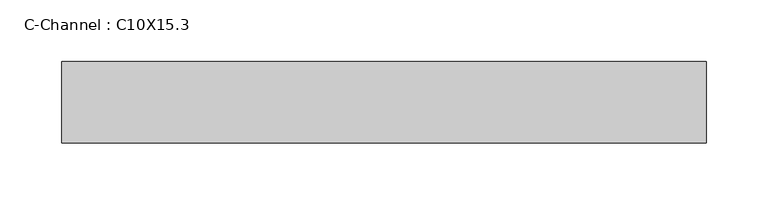
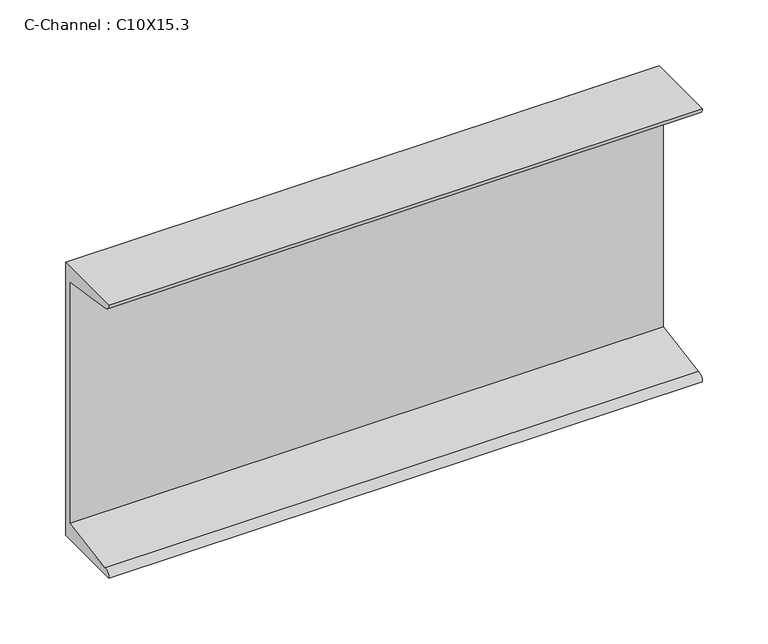
"""IFC4 building model written with IfcOpenShell, lengths in millimetres: beam geometry, C-Channel : C10X15.3."""

from ifc_helpers import new_model, si_unit, point, frame, frame_2d, origin, place, context, project, spatial, polyline, circle_curve, trimmed, segment, composite_curve, outline, extrude, source, transform, mapped, element, save


def c_channel_c10x15_3_d269c6b4(model_context):
    return source(origin(), model_context, "Body", "SweptSolid", [
        extrude(outline(composite_curve([segment(polyline([(14.0716, 127.0), (14.0716, -127.0), (-52.0080875, -127.0)]), True, "CONTINUOUS"), segment(trimmed(circle_curve(frame_2d((-45.9557438, -127.0)), 6.0523438), [point((-52.0080875, -127.0))], [point((-45.9557438, -120.9476563))], False, "CARTESIAN"), True, "CONTINUOUS"), segment(polyline([(-45.9557438, -120.9476563), (8.0192562, -112.3988561), (8.0192562, 112.3988561), (-45.9557438, 120.9476562)]), True, "CONTINUOUS"), segment(trimmed(circle_curve(frame_2d((-45.9557438, 127.0)), 6.0523437), [point((-45.9557438, 120.9476562))], [point((-52.0080875, 127.0))], False, "CARTESIAN"), True, "CONTINUOUS"), segment(polyline([(-52.0080875, 127.0), (14.0716, 127.0)]), True, "CONTINUOUS")], self_intersect=False)), frame((-261.0941406, 0.0, 0.0), z_axis=(1.0, 0.0, 0.0), x_axis=(0.0, 1.0, 0.0)), (0.0, 0.0, 1.0), 522.1882813),
    ])


if __name__ == "__main__":
    model = new_model("IFC4")
    model_context = context("Model", 3, world=origin())
    ifc_project = project(units=[si_unit("LENGTHUNIT", "METRE", prefix="MILLI")], contexts=[model_context])
    site = spatial("IfcSite", under=ifc_project)
    building = spatial("IfcBuilding", under=site)
    placement = place(None, origin())
    c_channel_c10x15_3_shape = c_channel_c10x15_3_d269c6b4(model_context)
    element("IfcBeam", 1, ObjectType="C-Channel : C10X15.3", at=placement, inside=building, context=model_context, shape_type="MappedRepresentation", body=[
        mapped(c_channel_c10x15_3_shape, transform((0.0, 0.0, 0.0), x_axis=(1.0, 0.0, 0.0), y_axis=(0.0, 1.0, 0.0), z_axis=(0.0, 0.0, 1.0))),
    ])
    save(model, "model.ifc")
